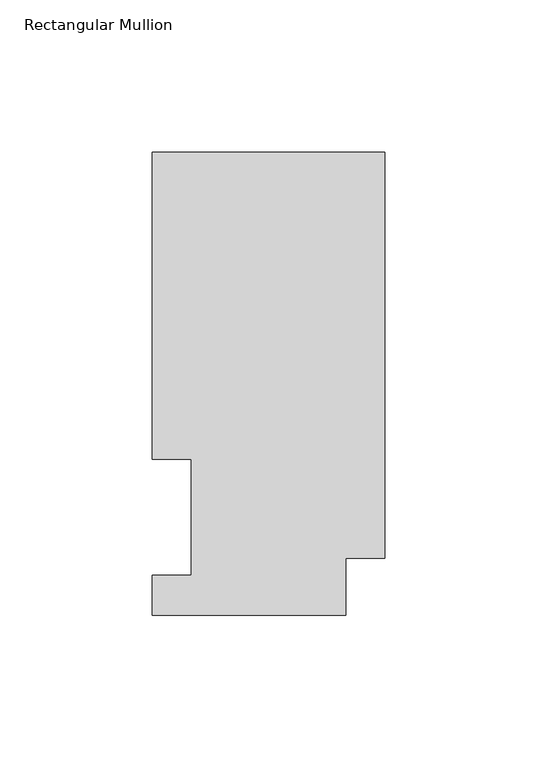
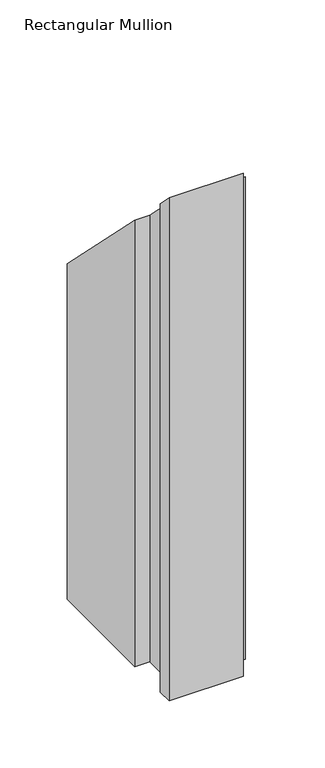
"""IFC4 building model written with IfcOpenShell, lengths in millimetres: member geometry, Rectangular Mullion."""

from ifc_helpers import new_model, si_unit, origin, place, context, project, spatial, faceted_brep, source, transform, mapped, element, save


def rectangular_mullion_be0781ad(model_context):
    return source(origin(), model_context, "Body", "Brep", [
        faceted_brep([(0.0, 151.9816938, -457.2), (0.0, 18.7332938, -457.2), (-12.7, 18.7332938, -457.2), (-12.7, 0.0134937, -457.2), (-76.2, 0.0134937, -457.2), (-76.2, 13.1960937, -457.2), (-63.5, 13.1960937, -457.2), (-63.5, 51.2960937, -457.2), (-76.2, 51.2960937, -457.2), (-76.2, 151.9816937, -457.2), (-76.2, 151.9816937, -151.9816937), (0.0, 151.9816938, -151.9816938), (-76.2, 51.2960937, -51.2960937), (-63.5, 51.2960937, -51.2960937), (-63.5, 13.1960937, -13.1960937), (-76.2, 13.1960937, -13.1960937), (-76.2, 0.0134937, -0.0134937), (-12.7, 0.0134937, -0.0134937), (-12.7, 18.7332938, -18.7332938), (0.0, 18.7332938, -18.7332938)], [[[0, 1, 2, 3, 4, 5, 6, 7, 8, 9]], [[10, 11, 0, 9]], [[12, 10, 9, 8]], [[13, 12, 8, 7]], [[14, 13, 7, 6]], [[15, 14, 6, 5]], [[16, 15, 5, 4]], [[17, 16, 4, 3]], [[18, 17, 3, 2]], [[19, 18, 2, 1]], [[11, 19, 1, 0]], [[11, 10, 12, 13, 14, 15, 16, 17, 18, 19]]]),
    ])


if __name__ == "__main__":
    model = new_model("IFC4")
    model_context = context("Model", 3, world=origin())
    ifc_project = project(units=[si_unit("LENGTHUNIT", "METRE", prefix="MILLI")], contexts=[model_context])
    site = spatial("IfcSite", under=ifc_project)
    building = spatial("IfcBuilding", under=site)
    placement = place(None, origin())
    rectangular_mullion_shape = rectangular_mullion_be0781ad(model_context)
    element("IfcMember", 1, ObjectType="Rectangular Mullion", at=placement, inside=building, context=model_context, shape_type="MappedRepresentation", body=[
        mapped(rectangular_mullion_shape, transform((0.0, 0.0, 0.0), x_axis=(1.0, 0.0, 0.0), y_axis=(0.0, 1.0, 0.0), z_axis=(0.0, 0.0, 1.0))),
    ])
    save(model, "model.ifc")
